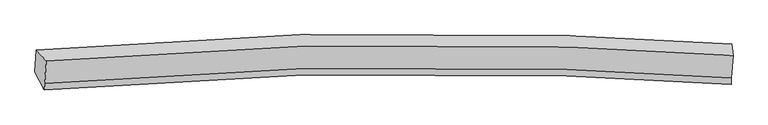
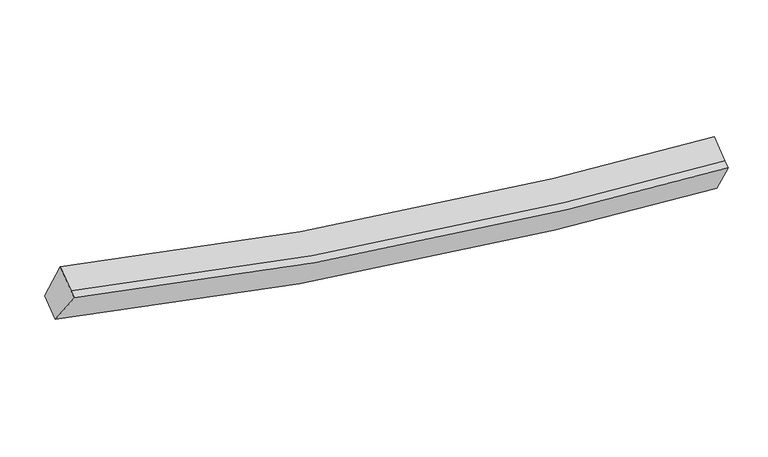
"""IFC4 building model written with IfcOpenShell, lengths in millimetres: proxy geometry."""

from ifc_helpers import new_model, si_unit, frame, origin, place, context, project, spatial, source, transform, mapped, element, save
from ifc_brep_helpers import plane_surface, spline_curve, spline_surface, advanced_brep


def generic_models_22932f40(model_context):
    return source(origin(), model_context, "Body", "AdvancedBrep", [
        advanced_brep(
        [(-7266.2531712, -1832.8650527, 4140.2893845), (-7082.9691916, -2042.2975997, 4799.253651), (5824.0060239, -1935.9053683, 2919.3066644), (5797.5032757, -1718.505084, 2216.8960254), (-7113.2217701, -2463.0269148, 4566.2544549), (5793.5716295, -2359.1632384, 2684.9071588), (-7122.0108503, -2585.2586012, 4498.56275), (5784.7825493, -2481.3949248, 2617.2154539), (-7296.0492471, -2247.245686, 3910.8060779), (5767.7895433, -2131.7405474, 1988.046912)],
        [
            (0, 1),
            (1, 2, spline_curve(3, [(-7082.9691916, -2042.2975997, 4799.253651), (-3851.519773057, -1758.019160504, 3859.876326583), (-578.480369601, -1670.171874499, 3272.415247507), (3761.455208911, -1812.343723483, 2964.009907756), (4790.740878263, -1864.726932534, 2924.821990808), (5824.0060239, -1935.9053683, 2919.3066644)], [4, 2, 4], [0.0, 32.99137906857702, 43.19652157924371])),
            (2, 3),
            (3, 0, spline_curve(3, [(5797.5032757, -1718.505084, 2216.8960254), (4757.30179641, -1646.753904681, 2222.065766903), (3719.801651251, -1594.08149881, 2261.79804341), (-660.314463384, -1451.885730473, 2576.274534759), (-3977.399800005, -1542.678126942, 3177.673378051), (-7266.2531712, -1832.8650527, 4140.2893845)], [4, 2, 4], [0.0, 10.20514251066669, 43.19652157924371])),
            (1, 4),
            (4, 5, spline_curve(3, [(-7113.2217701, -2463.0269148, 4566.2544549), (-3881.87924391, -2180.235055146, 3626.053864858), (-608.900446336, -2093.230620707, 3038.12601676), (3731.016385532, -2235.663188089, 2729.576291106), (4760.302054905, -2288.046396714, 2690.388374568), (5793.5716295, -2359.1632384, 2684.9071588)], [4, 2, 4], [0.0, 32.78772353037271, 42.92986977204011])),
            (5, 2),
            (4, 6),
            (6, 7, spline_curve(3, [(-7122.0108503, -2585.2586012, 4498.56275), (-3890.668323828, -2302.466741448, 3558.362159859), (-617.68952682, -2215.462307808, 2970.43431184), (3722.227305551, -2357.894874141, 2661.884586081), (4751.51297452, -2410.278083254, 2622.696669502), (5784.7825493, -2481.3949248, 2617.2154539)], [4, 2, 4], [0.0, 32.78772658289271, 42.929873768788646])),
            (7, 5),
            (6, 8),
            (8, 9, spline_curve(3, [(-7296.0492471, -2247.245686, 3910.8060779), (-4007.147464746, -1956.385495434, 2948.562924808), (-690.034680055, -1865.211375623, 2347.37547839), (3690.089924615, -2007.28906651, 2032.964378746), (4727.590069605, -2059.961472306, 1993.23210232), (5767.7895433, -2131.7405474, 1988.046912)], [4, 2, 4], [0.0, 32.991380796581026, 43.19652384176696])),
            (9, 7),
            (8, 0),
            (3, 9),
        ],
        [
            spline_surface(3, 3, [[(-7266.2531712, -1832.8650527, 4140.2893845), (-3977.399800293, -1542.67812642, 3177.67337819), (-660.314463108, -1451.885730896, 2576.274534857), (3719.801651166, -1594.081498679, 2261.79804338), (4757.30179631, -1646.75390463, 2222.065767008), (5797.5032757, -1718.505084, 2216.8960254)], [(-7205.158511345, -1902.6759017, 4359.94413999), (-3935.439791078, -1614.458470984, 3405.074361071), (-633.036432061, -1524.647778633, 2808.321439217), (3733.686170429, -1666.835573638, 2495.868664783), (4768.448156926, -1719.411580559, 2456.317841662), (5806.337525108, -1790.971845433, 2451.032905079)], [(-7144.063851455, -1972.4867507, 4579.59889551), (-3893.479781828, -1686.238815547, 3632.475343982), (-605.758400962, -1597.409826408, 3040.368343603), (3747.570689745, -1739.589648634, 2729.939286212), (4779.59451752, -1792.069256489, 2690.569916279), (5815.171774492, -1863.438606867, 2685.169784721)], [(-7082.9691916, -2042.2975997, 4799.253651), (-3851.519772613, -1758.019160111, 3859.876326864), (-578.480369915, -1670.171874146, 3272.415247963), (3761.455209009, -1812.343723592, 2964.009907615), (4790.740878136, -1864.726932419, 2924.821990934), (5824.0060239, -1935.9053683, 2919.3066644)]], [4, 4], [4, 2, 4], [0.0, 2.3989212412487517], [0.0, 32.99137906857702, 43.19652157924371]),
            spline_surface(3, 3, [[(-7082.9691916, -2042.2975997, 4799.253651), (-3851.519772613, -1758.019160111, 3859.876326864), (-578.480369915, -1670.171874146, 3272.415247963), (3761.455209009, -1812.343723592, 2964.009907615), (4790.740878136, -1864.726932419, 2924.821990934), (5824.0060239, -1935.9053683, 2919.3066644)], [(-7093.05338442, -2182.540704734, 4721.587252317), (-3861.639596329, -1898.757791913, 3781.93550628), (-588.620395406, -1811.191456499, 3194.318837429), (3751.308934553, -1953.450211692, 2885.865368823), (4780.59460368, -2005.833420519, 2846.677452142), (5813.861225757, -2076.991324989, 2841.17349587)], [(-7103.13757728, -2322.783809766, 4643.920853583), (-3871.759420084, -2039.496423713, 3703.994685644), (-598.760420967, -1952.211038885, 3116.222426887), (3741.162660026, -2094.556699824, 2807.720830023), (4770.448329253, -2146.939908651, 2768.532913342), (5803.716427643, -2218.077281711, 2763.04032733)], [(-7113.2217701, -2463.0269148, 4566.2544549), (-3881.879243801, -2180.235055515, 3626.05386506), (-608.900446458, -2093.230621239, 3038.126016353), (3731.01638557, -2235.663187924, 2729.576291231), (4760.302054797, -2288.046396751, 2690.38837455), (5793.5716295, -2359.1632384, 2684.9071588)]], [4, 4], [4, 2, 4], [0.0, 1.588861695180693], [0.0, 32.78772353037271, 42.92986977204011]),
            spline_surface(3, 3, [[(-7113.2217701, -2463.0269148, 4566.2544549), (-3881.879243801, -2180.235055515, 3626.05386506), (-608.900446458, -2093.230621239, 3038.126016353), (3731.01638557, -2235.663187924, 2729.576291231), (4760.302054797, -2288.046396751, 2690.38837455), (5793.5716295, -2359.1632384, 2684.9071588)], [(-7116.151463492, -2503.770810256, 4543.690553255), (-3884.808937192, -2220.978950972, 3603.489963415), (-611.83013985, -2133.974516695, 3015.562114708), (3728.086692178, -2276.407083381, 2707.012389586), (4757.372361405, -2328.790292207, 2667.824472905), (5790.641936108, -2399.907133856, 2662.343257155)], [(-7119.081156908, -2544.514705744, 4521.126651645), (-3887.738630609, -2261.722846459, 3580.926061805), (-614.759833166, -2174.718412082, 2992.998212999), (3725.156998862, -2317.150978768, 2684.448487877), (4754.442667989, -2369.534187694, 2645.260571296), (5787.712242692, -2440.651029344, 2639.779355545)], [(-7122.0108503, -2585.2586012, 4498.56275), (-3890.668324001, -2302.466741915, 3558.36216016), (-617.689526558, -2215.462307539, 2970.434311353), (3722.22730547, -2357.894874224, 2661.884586231), (4751.512974597, -2410.278083151, 2622.69666965), (5784.7825493, -2481.3949248, 2617.2154539)]], [4, 4], [4, 2, 4], [0.0, 0.4593175853018282], [0.0, 32.78772658289271, 42.929873768788646]),
            spline_surface(3, 3, [[(-7122.0108503, -2585.2586012, 4498.56275), (-3890.668324001, -2302.466741915, 3558.36216016), (-617.689526558, -2215.462307539, 2970.434311353), (3722.22730547, -2357.894874224, 2661.884586231), (4751.512974597, -2410.278083151, 2622.69666965), (5784.7825493, -2481.3949248, 2617.2154539)], [(-7180.023649254, -2472.587629457, 4302.643859312), (-3929.494704365, -2187.106326257, 3355.095748282), (-641.804577698, -2098.711997062, 2762.748033853), (3711.514845204, -2241.026271604, 2452.244516992), (4743.538672978, -2293.50587956, 2412.875147159), (5779.118213962, -2364.843465689, 2407.492606589)], [(-7238.036448146, -2359.916657743, 4106.724968588), (-3968.321084667, -2071.745910628, 3151.829336368), (-665.919628899, -1981.961686582, 2555.061756421), (3700.802384876, -2124.157668981, 2242.604447822), (4735.564371373, -2176.733675902, 2203.053624701), (5773.453878638, -2248.292006511, 2197.769759311)], [(-7296.0492471, -2247.245686, 3910.8060779), (-4007.147465032, -1956.38549497, 2948.56292449), (-690.034680038, -1865.211376105, 2347.375478921), (3690.08992461, -2007.289066361, 2032.964378582), (4727.590069754, -2059.961472312, 1993.23210221), (5767.7895433, -2131.7405474, 1988.046912)]], [4, 4], [4, 2, 4], [0.0, 2.347381134754217], [0.0, 32.991380796581026, 43.19652384176696]),
            spline_surface(3, 3, [[(-7296.0492471, -2247.245686, 3910.8060779), (-4007.147465032, -1956.38549497, 2948.56292449), (-690.034680038, -1865.211376105, 2347.375478921), (3690.08992461, -2007.289066361, 2032.964378582), (4727.590069754, -2059.961472312, 1993.23210221), (5767.7895433, -2131.7405474, 1988.046912)], [(-7286.117221789, -2109.118808253, 3987.300513426), (-3997.231576775, -1818.483038806, 3024.933075716), (-680.127941063, -1727.436161035, 2423.67516424), (3699.99383346, -1869.553210466, 2109.242266856), (4737.493978604, -1922.225616417, 2069.509990484), (5777.694120765, -1993.995392932, 2064.329949807)], [(-7276.185196511, -1970.991930447, 4063.794948974), (-3987.31568855, -1680.580582584, 3101.303226964), (-670.221202083, -1589.660945967, 2499.974849537), (3709.897742316, -1731.817354574, 2185.520155107), (4747.397887459, -1784.489760525, 2145.787878735), (5787.598698235, -1856.250238468, 2140.612987593)], [(-7266.2531712, -1832.8650527, 4140.2893845), (-3977.399800293, -1542.67812642, 3177.67337819), (-660.314463108, -1451.885730896, 2576.274534857), (3719.801651166, -1594.081498679, 2261.79804338), (4757.30179631, -1646.75390463, 2222.065767008), (5797.5032757, -1718.505084, 2216.8960254)]], [4, 4], [4, 2, 4], [0.0, 1.5535835567703464], [0.0, 33.195054266542364, 43.46319912751409]),
            plane_surface(frame((5793.520348, -2066.8864812, 2435.3662639), z_axis=(0.9977483415739732, -0.04344769057010884, -0.05109349342636793), x_axis=(-0.02360139724121123, 0.4856310796291879, -0.87384519712959))),
            plane_surface(frame((-7191.8206151, -2176.9167349, 4337.2279658), z_axis=(-0.9665628543171242, -0.06750117646829347, 0.24738601381187728), x_axis=(-0.06277914410575049, -0.8730834740632311, -0.48351217811243263))),
        ],
        [
            (0, [[1, 2, 3, 4]]),
            (1, [[5, 6, 7, -2]]),
            (2, [[8, 9, 10, -6]]),
            (3, [[11, 12, 13, -9]]),
            (4, [[14, -4, 15, -12]]),
            (5, [[-13, -15, -3, -7, -10]]),
            (6, [[-14, -11, -8, -5, -1]]),
        ],
    ),
    ])


if __name__ == "__main__":
    model = new_model("IFC4")
    model_context = context("Model", 3, world=origin())
    ifc_project = project(units=[si_unit("LENGTHUNIT", "METRE", prefix="MILLI")], contexts=[model_context])
    site = spatial("IfcSite", under=ifc_project)
    building = spatial("IfcBuilding", under=site)
    placement = place(None, origin())
    generic_models_shape = generic_models_22932f40(model_context)
    element("IfcBuildingElementProxy", 1, Name="Generic Models", at=placement, inside=building, context=model_context, shape_type="MappedRepresentation", body=[
        mapped(generic_models_shape, transform((0.0, 0.0, 0.0), x_axis=(1.0, 0.0, 0.0), y_axis=(0.0, 1.0, 0.0), z_axis=(0.0, 0.0, 1.0))),
    ])
    save(model, "model.ifc")
